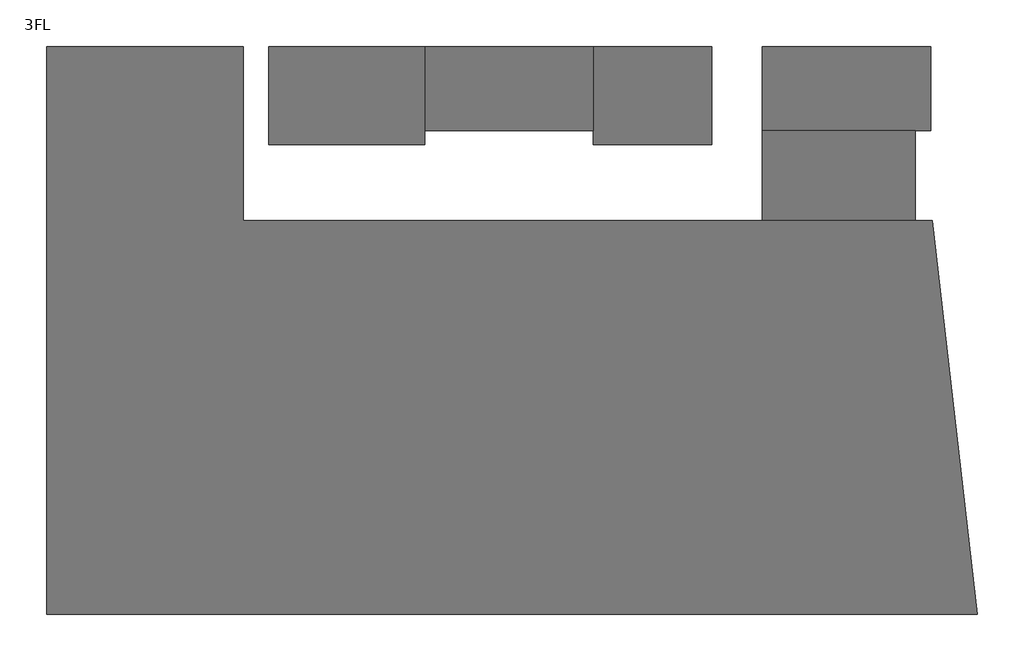
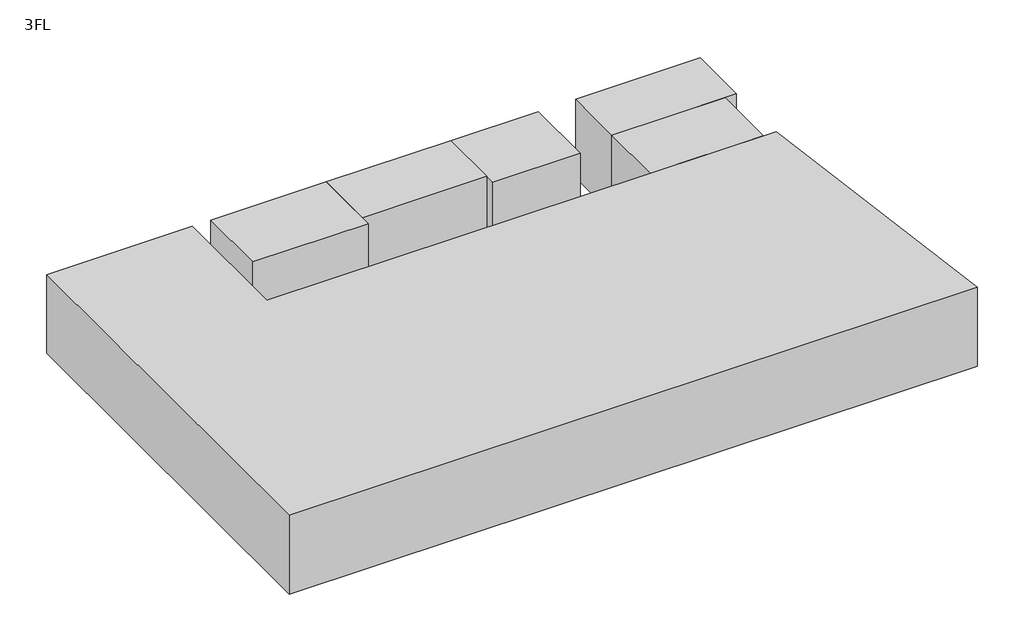
# One storey: 6 proxies.
"""IFC4 building model written with IfcOpenShell, lengths in millimetres."""

from ifc_helpers import new_model, si_unit, frame, origin, place, context, project, spatial, polyline, outline, extrude, element, save

model = new_model("IFC4")

# Units and contexts
model_context = context("Model", 3, world=origin())
ifc_project = project(units=[si_unit("LENGTHUNIT", "METRE", prefix="MILLI")], contexts=[model_context])

# Site, building, storey
site = spatial("IfcSite", under=ifc_project)
building = spatial("IfcBuilding", under=site)
storey = spatial("IfcBuildingStorey", under=building, Name="3FL", Elevation=8600.0)

# Proxies
placement = place(None, origin())
element("IfcBuildingElementProxy", 1, Name="Mass", at=placement, inside=storey, context=model_context, shape_type="SweptSolid", body=[
    extrude(outline(polyline([(-28845.9784025, -3550.3131013), (-28845.9784025, 16649.6868987), (-21845.9784025, 16649.6868987), (-21845.9784025, 10449.6868987), (2661.9595949, 10449.6868987), (4261.9595949, -3550.3131013), (-28845.9784025, -3550.3131013)])), frame((0.0, 0.0, 8600.0), z_axis=(0.0, 0.0, 1.0), x_axis=(1.0, 0.0, 0.0)), (0.0, 0.0, 1.0), 4000.0),
])
element("IfcBuildingElementProxy", 2, Name="Mass", at=placement, inside=storey, context=model_context, shape_type="SweptSolid", body=[
    extrude(outline(polyline([(-9395.9784025, 16649.6868987), (-9395.9784025, 13649.6868987), (-15395.9784025, 13649.6868987), (-15395.9784025, 16649.6868987), (-9395.9784025, 16649.6868987)])), frame((0.0, 0.0, 8600.0), z_axis=(0.0, 0.0, 1.0), x_axis=(1.0, 0.0, 0.0)), (0.0, 0.0, 1.0), 4000.0),
])
element("IfcBuildingElementProxy", 3, Name="Mass", at=placement, inside=storey, context=model_context, shape_type="SweptSolid", body=[
    extrude(outline(polyline([(-15395.9784025, 16649.6868987), (-15395.9784025, 13149.6868987), (-20945.9784025, 13149.6868987), (-20945.9784025, 16649.6868987), (-15395.9784025, 16649.6868987)])), frame((0.0, 0.0, 8600.0), z_axis=(0.0, 0.0, 1.0), x_axis=(1.0, 0.0, 0.0)), (0.0, 0.0, 1.0), 4000.0),
])
element("IfcBuildingElementProxy", 4, Name="Mass", at=placement, inside=storey, context=model_context, shape_type="SweptSolid", body=[
    extrude(outline(polyline([(2604.0215975, 16649.6868987), (2604.0215975, 13649.6868987), (-3395.9784025, 13649.6868987), (-3395.9784025, 16649.6868987), (2604.0215975, 16649.6868987)])), frame((0.0, 0.0, 8600.0), z_axis=(0.0, 0.0, 1.0), x_axis=(1.0, 0.0, 0.0)), (0.0, 0.0, 1.0), 4000.0),
])
element("IfcBuildingElementProxy", 5, Name="Mass", at=placement, inside=storey, context=model_context, shape_type="SweptSolid", body=[
    extrude(outline(polyline([(-5195.9784025, 16649.6868987), (-5195.9784025, 13149.6868987), (-9395.9784025, 13149.6868987), (-9395.9784025, 16649.6868987), (-5195.9784025, 16649.6868987)])), frame((0.0, 0.0, 8600.0), z_axis=(0.0, 0.0, 1.0), x_axis=(1.0, 0.0, 0.0)), (0.0, 0.0, 1.0), 4000.0),
])
element("IfcBuildingElementProxy", 6, Name="Mass", at=placement, inside=storey, context=model_context, shape_type="SweptSolid", body=[
    extrude(outline(polyline([(2054.0215975, 13649.6868987), (2054.0215975, 10449.6868987), (-3395.9784025, 10449.6868987), (-3395.9784025, 13649.6868987), (2054.0215975, 13649.6868987)])), frame((0.0, 0.0, 8600.0), z_axis=(0.0, 0.0, 1.0), x_axis=(1.0, 0.0, 0.0)), (0.0, 0.0, 1.0), 4000.0),
])

save(model, "model.ifc")
